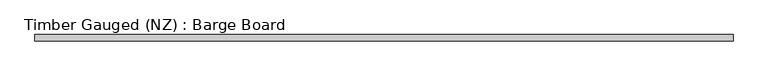
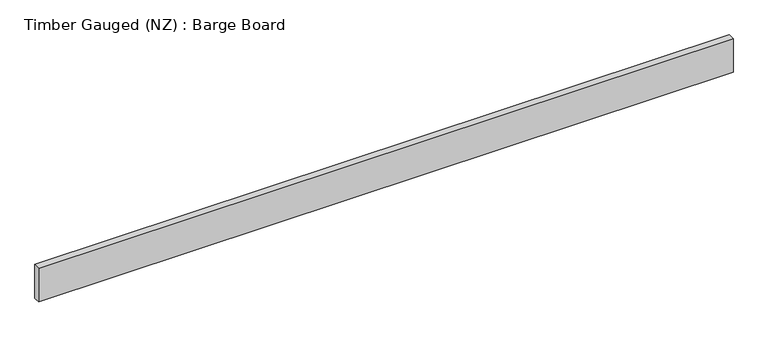
"""IFC4 building model written with IfcOpenShell, lengths in millimetres: beam geometry, Timber Gauged (NZ) : Barge Board."""

from ifc_helpers import new_model, si_unit, frame, origin, place, context, project, spatial, polyline, outline, extrude, source, transform, mapped, element, save


def timber_gauged_nz_barge_board_55657e0c(model_context):
    return source(origin(), model_context, "Body", "SweptSolid", [
        extrude(outline(polyline([(1296.3896635, 10.0), (1296.3896635, -10.0), (-850.0, -10.0), (-850.0, 10.0), (1296.3896635, 10.0)])), frame((0.0, 0.0, -55.0), z_axis=(0.0, 0.0, 1.0), x_axis=(1.0, 0.0, 0.0)), (0.0, 0.0, 1.0), 110.0),
    ])


if __name__ == "__main__":
    model = new_model("IFC4")
    model_context = context("Model", 3, world=origin())
    ifc_project = project(units=[si_unit("LENGTHUNIT", "METRE", prefix="MILLI")], contexts=[model_context])
    site = spatial("IfcSite", under=ifc_project)
    building = spatial("IfcBuilding", under=site)
    placement = place(None, origin())
    timber_gauged_nz_barge_board_shape = timber_gauged_nz_barge_board_55657e0c(model_context)
    element("IfcBeam", 1, ObjectType="Timber Gauged (NZ) : Barge Board", at=placement, inside=building, context=model_context, shape_type="MappedRepresentation", body=[
        mapped(timber_gauged_nz_barge_board_shape, transform((0.0, 0.0, 0.0), x_axis=(1.0, 0.0, 0.0), y_axis=(0.0, 1.0, 0.0), z_axis=(0.0, 0.0, 1.0))),
    ])
    save(model, "model.ifc")
